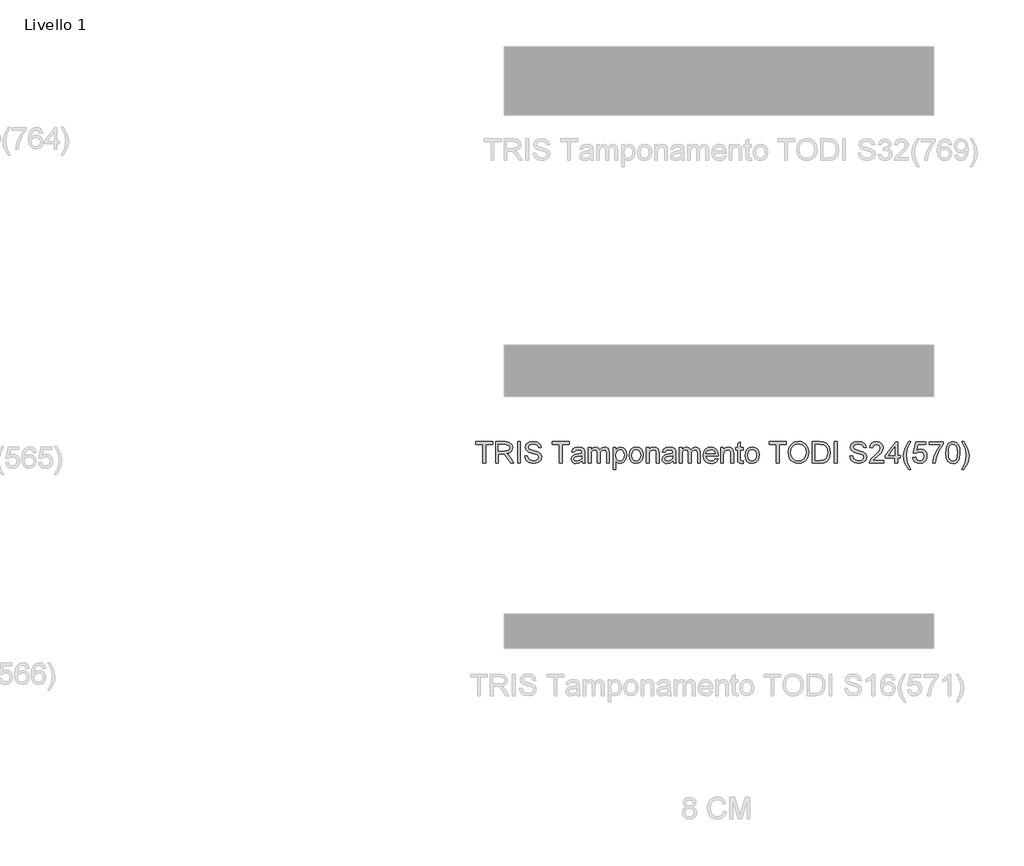
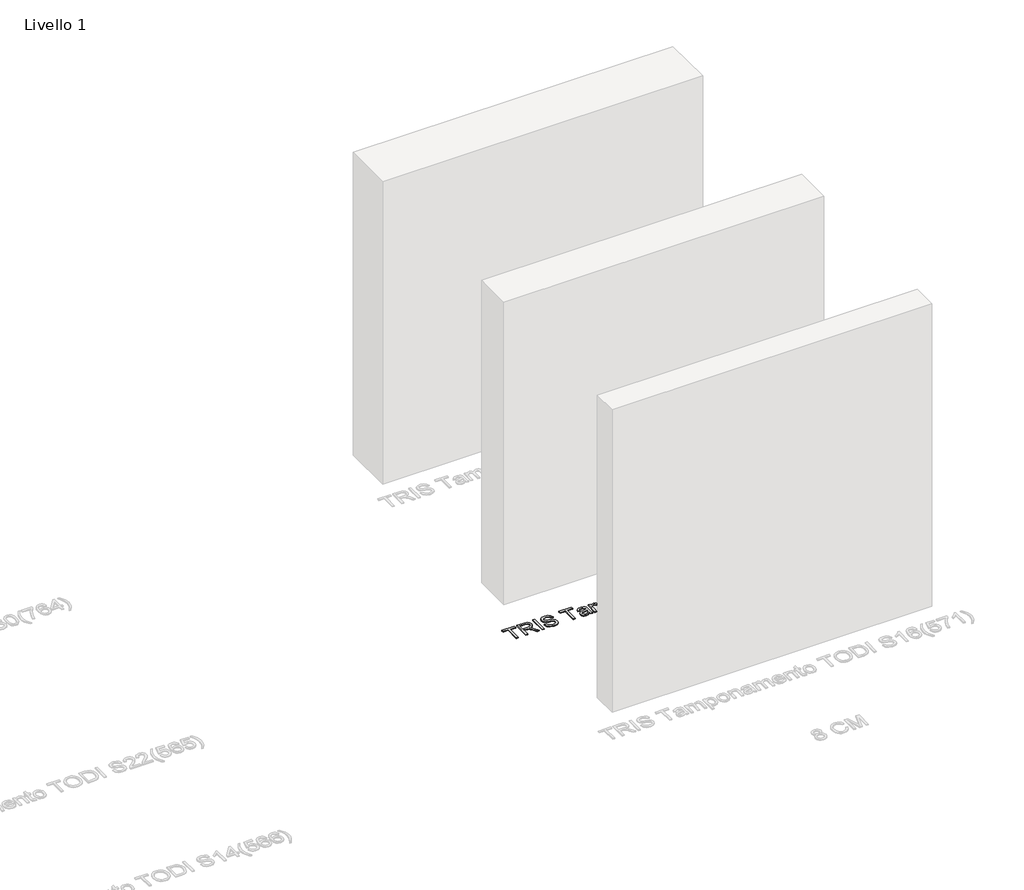
# One storey, part 6 of 18: 1 proxy.
"""IFC4 building model written with IfcOpenShell, lengths in millimetres."""

from ifc_helpers import new_model, si_unit, origin, origin_with_axes, place, context, project, spatial, polyline, outline, extrude, element, save

model = new_model("IFC4")

# Units and contexts
model_context = context("Model", 3, world=origin())
ifc_project = project(units=[si_unit("LENGTHUNIT", "METRE", prefix="MILLI")], contexts=[model_context])

# Site, building, storey
site = spatial("IfcSite", under=ifc_project)
building = spatial("IfcBuilding", under=site)
storey = spatial("IfcBuildingStorey", under=building, Name="Livello 1", Elevation=0.0)

# Proxy
placement = place(None, origin())
element("IfcBuildingElementProxy", 1, Name="100", ObjectType="100", at=placement, inside=storey, context=model_context, shape_type="SweptSolid", body=[
    extrude(outline(polyline([(-1320.016729, -3179.0576858), (-1320.016729, -3091.1584144), (-1352.9789557, -3091.1584144), (-1352.9789557, -3078.6013756), (-1274.4974634, -3078.6013756), (-1274.4974634, -3091.1584144), (-1307.4596902, -3091.1584144), (-1307.4596902, -3179.0576858), (-1320.016729, -3179.0576858)])), origin_with_axes(), (0.0, 0.0, 1.0), 5.0),
    extrude(outline(polyline([(-1260.3707948, -3179.0576858), (-1260.3707948, -3078.6013756), (-1217.0833467, -3078.6013756), (-1196.9847271, -3081.3114396), (-1185.9973181, -3090.900897), (-1181.8893025, -3106.0944234), (-1183.5907567, -3115.9904491), (-1188.6951194, -3124.1942175), (-1197.3556747, -3130.2090882), (-1209.7257068, -3133.5384202), (-1202.5887961, -3138.9094974), (-1192.4107276, -3151.8344181), (-1175.6598341, -3179.0576858), (-1190.2524865, -3179.0576858), (-1203.3245601, -3158.2355648), (-1212.7668646, -3144.4522527), (-1219.4010033, -3137.9407414), (-1225.3729543, -3135.5495085), (-1232.6570178, -3135.1080501), (-1247.8137561, -3135.1080501), (-1247.8137561, -3179.0576858), (-1260.3707948, -3179.0576858)]), holes=[polyline([(-1247.8137561, -3122.5510113), (-1219.7075716, -3122.5510113), (-1205.3724365, -3120.772915), (-1197.2299817, -3115.0830068), (-1194.4463413, -3106.5604072), (-1199.7561047, -3095.4994219), (-1216.5437865, -3091.1584144), (-1247.8137561, -3091.1584144), (-1247.8137561, -3122.5510113)])]), origin_with_axes(), (0.0, 0.0, 1.0), 5.0),
    extrude(outline(polyline([(-1158.3448548, -3179.0576858), (-1158.3448548, -3078.6013756), (-1145.7878161, -3078.6013756), (-1145.7878161, -3179.0576858), (-1158.3448548, -3179.0576858)])), origin_with_axes(), (0.0, 0.0, 1.0), 5.0),
    extrude(outline(polyline([(-1125.3826281, -3144.5258291), (-1112.8255893, -3144.5258291), (-1108.7788873, -3157.0951307), (-1098.8951244, -3165.0413817), (-1083.8364881, -3168.0702768), (-1070.7153636, -3165.7771457), (-1062.241815, -3159.4741009), (-1059.4581745, -3151.0496032), (-1061.5428392, -3143.2137167), (-1070.0777014, -3137.5115458), (-1088.3614366, -3132.7168171), (-1108.0431233, -3126.5241369), (-1118.7239639, -3117.1799342), (-1122.2433684, -3104.6964718), (-1117.8900981, -3090.4839641), (-1105.1736438, -3080.4530483), (-1086.5588148, -3077.0317458), (-1066.6931871, -3080.6124639), (-1053.4494353, -3091.1338889), (-1048.4707656, -3106.8547128), (-1061.0278044, -3106.8547128), (-1063.3331982, -3099.3621829), (-1068.1401896, -3093.9543175), (-1086.0683055, -3089.5887845), (-1104.0454723, -3093.9052666), (-1109.6863296, -3104.3285898), (-1105.6886786, -3113.0351304), (-1085.1853887, -3120.0494137), (-1062.9653162, -3126.3524586), (-1050.8129476, -3136.5305271), (-1046.9011358, -3150.7307721), (-1051.4015588, -3165.7526203), (-1064.3510051, -3176.7155037), (-1083.3459787, -3180.6273156), (-1105.7745177, -3176.4089354), (-1119.9625, -3163.7047438), (-1125.3826281, -3144.5258291)])), origin_with_axes(), (0.0, 0.0, 1.0), 5.0),
    extrude(outline(polyline([(-963.7107539, -3179.0576858), (-963.7107539, -3091.1584144), (-996.6729807, -3091.1584144), (-996.6729807, -3078.6013756), (-918.1914884, -3078.6013756), (-918.1914884, -3091.1584144), (-951.1537151, -3091.1584144), (-951.1537151, -3179.0576858), (-963.7107539, -3179.0576858)])), origin_with_axes(), (0.0, 0.0, 1.0), 5.0),
    extrude(outline(polyline([(-858.5455542, -3169.6399067), (-870.7224483, -3178.1502435), (-884.1746666, -3180.6273156), (-894.6685005, -3179.1373935), (-902.4093508, -3174.6676273), (-907.1826197, -3167.8802045), (-908.7737093, -3159.4373127), (-906.3702136, -3149.5044988), (-900.054906, -3142.2940117), (-891.2625263, -3138.1737334), (-880.3977447, -3136.2852725), (-858.6191306, -3131.9687904), (-858.5455542, -3129.1728872), (-862.003645, -3119.9022609), (-875.8850589, -3116.2724919), (-888.5892505, -3118.6882504), (-894.6470407, -3127.2599008), (-907.2040794, -3125.690271), (-901.7716887, -3113.4275378), (-890.8333307, -3106.2415762), (-874.2663781, -3103.7154532), (-859.0483263, -3105.9472706), (-850.4521503, -3111.5513396), (-846.6016521, -3120.0739392), (-845.9885155, -3131.0613481), (-845.9885155, -3146.6840702), (-845.3508533, -3168.4994725), (-842.8492558, -3179.0576858), (-855.4062945, -3179.0576858), (-858.5455542, -3169.6399067)]), holes=[polyline([(-858.5455542, -3144.5258291), (-878.8035894, -3148.3763274), (-889.6070573, -3150.4119411), (-894.4998879, -3153.722879), (-896.2166705, -3158.5543959), (-892.4765369, -3165.3479501), (-881.5013907, -3168.0702768), (-868.7971992, -3165.0659072), (-860.6056934, -3157.7941064), (-858.6191306, -3148.0820218), (-858.5455542, -3144.5258291)])]), origin_with_axes(), (0.0, 0.0, 1.0), 5.0),
    extrude(outline(polyline([(-828.7225871, -3179.0576858), (-828.7225871, -3105.285083), (-816.1655484, -3105.285083), (-816.1655484, -3117.4251888), (-807.5325842, -3107.4801122), (-795.2453256, -3103.7154532), (-782.6637613, -3107.5536886), (-775.7475798, -3118.3081056), (-765.949656, -3107.3636163), (-753.5765583, -3103.7154532), (-744.1373194, -3105.2329664), (-737.1567585, -3109.7855061), (-732.8433422, -3117.4956996), (-731.4055367, -3128.4861742), (-731.4055367, -3179.0576858), (-743.9625755, -3179.0576858), (-743.9625755, -3133.8817768), (-745.1275351, -3123.3971399), (-749.3459153, -3118.2345292), (-756.5196142, -3116.2724919), (-768.8681865, -3121.3002125), (-772.5562035, -3127.8423807), (-773.7855425, -3137.4134439), (-773.7855425, -3179.0576858), (-786.3425813, -3179.0576858), (-786.3425813, -3132.4838252), (-789.2488491, -3120.3191939), (-798.7769927, -3116.2724919), (-808.0721445, -3118.9702932), (-814.252562, -3126.8674934), (-816.1655484, -3141.8525533), (-816.1655484, -3179.0576858), (-828.7225871, -3179.0576858)])), origin_with_axes(), (0.0, 0.0, 1.0), 5.0),
    extrude(outline(polyline([(-712.5699785, -3207.311023), (-712.5699785, -3105.285083), (-700.0129398, -3105.285083), (-700.0129398, -3117.5968671), (-691.3309247, -3107.1858066), (-679.6077518, -3103.7154532), (-663.6907241, -3108.5714955), (-653.2919264, -3122.2567057), (-649.7847847, -3141.6072987), (-653.7456475, -3161.951173), (-665.2480912, -3175.8080615), (-681.1283307, -3180.6273156), (-692.0544259, -3177.4022168), (-700.0129398, -3169.2474992), (-700.0129398, -3207.311023), (-712.5699785, -3207.311023)]), holes=[polyline([(-700.0129398, -3142.7599956), (-698.6548421, -3154.0171846), (-694.580549, -3161.8898593), (-688.568744, -3166.5251725), (-681.3981108, -3168.0702768), (-674.1109816, -3166.4699902), (-667.9458925, -3161.6691301), (-663.7428407, -3153.5082812), (-662.3418235, -3141.8280279), (-663.7091182, -3130.6321525), (-667.8110025, -3122.6491132), (-673.8136103, -3117.8666472), (-680.883076, -3116.2724919), (-687.9801328, -3117.9678148), (-694.212667, -3123.0537834), (-698.5628716, -3131.3709821), (-700.0129398, -3142.7599956)])]), origin_with_axes(), (0.0, 0.0, 1.0), 5.0),
    extrude(outline(polyline([(-638.7973758, -3142.1713844), (-636.0811804, -3124.3842899), (-627.9325942, -3111.8824334), (-617.8648902, -3105.7571982), (-605.8106235, -3103.7154532), (-592.6189883, -3106.2017223), (-582.0822348, -3113.6605298), (-575.1752504, -3125.5032643), (-572.8729222, -3141.1413148), (-576.9441496, -3163.4840146), (-588.8022126, -3176.1268925), (-605.8106235, -3180.6273156), (-619.1616743, -3178.1502435), (-629.686165, -3170.7190272), (-636.5195731, -3158.6279723), (-638.7973758, -3142.1713844)]), holes=[polyline([(-626.240337, -3142.1468589), (-624.7872031, -3153.5113469), (-620.4278015, -3161.6078165), (-613.8672392, -3166.4546617), (-605.8106235, -3168.0702768), (-597.790796, -3166.4454647), (-591.2424965, -3161.5710283), (-586.8830949, -3153.3672598), (-585.429961, -3141.7544515), (-586.8922919, -3130.7210573), (-591.2792847, -3122.7349523), (-597.8367813, -3117.888107), (-605.8106235, -3116.2724919), (-613.8672392, -3117.8819756), (-620.4278015, -3122.7104268), (-624.7872031, -3130.7885023), (-626.240337, -3142.1468589)])]), origin_with_axes(), (0.0, 0.0, 1.0), 5.0),
    extrude(outline(polyline([(-558.7462536, -3179.0576858), (-558.7462536, -3105.285083), (-546.1892148, -3105.285083), (-546.1892148, -3115.5857789), (-536.5874948, -3106.6830346), (-523.478633, -3103.7154532), (-511.62057, -3106.1066861), (-503.5271661, -3112.3852055), (-499.7625071, -3121.6190436), (-499.1003195, -3133.7591494), (-499.1003195, -3179.0576858), (-511.6573582, -3179.0576858), (-511.6573582, -3135.4514066), (-513.1043607, -3124.3413703), (-518.2179205, -3118.4675212), (-526.8386219, -3116.2724919), (-540.4625185, -3121.2021107), (-544.7575408, -3128.3451527), (-546.1892148, -3139.9150415), (-546.1892148, -3179.0576858), (-558.7462536, -3179.0576858)])), origin_with_axes(), (0.0, 0.0, 1.0), 5.0),
    extrude(outline(polyline([(-434.7454958, -3169.6399067), (-446.9223898, -3178.1502435), (-460.3746081, -3180.6273156), (-470.868442, -3179.1373935), (-478.6092923, -3174.6676273), (-483.3825612, -3167.8802045), (-484.9736509, -3159.4373127), (-482.5701552, -3149.5044988), (-476.2548476, -3142.2940117), (-467.4624679, -3138.1737334), (-456.5976863, -3136.2852725), (-434.8190722, -3131.9687904), (-434.7454958, -3129.1728872), (-438.2035865, -3119.9022609), (-452.0850005, -3116.2724919), (-464.789192, -3118.6882504), (-470.8469822, -3127.2599008), (-483.404021, -3125.690271), (-477.9716302, -3113.4275378), (-467.0332722, -3106.2415762), (-450.4663197, -3103.7154532), (-435.2482678, -3105.9472706), (-426.6520919, -3111.5513396), (-422.8015937, -3120.0739392), (-422.188457, -3131.0613481), (-422.188457, -3146.6840702), (-421.5507949, -3168.4994725), (-419.0491973, -3179.0576858), (-431.6062361, -3179.0576858), (-434.7454958, -3169.6399067)]), holes=[polyline([(-434.7454958, -3144.5258291), (-455.003531, -3148.3763274), (-465.8069989, -3150.4119411), (-470.6998294, -3153.722879), (-472.4166121, -3158.5543959), (-468.6764785, -3165.3479501), (-457.7013323, -3168.0702768), (-444.9971407, -3165.0659072), (-436.805635, -3157.7941064), (-434.8190722, -3148.0820218), (-434.7454958, -3144.5258291)])]), origin_with_axes(), (0.0, 0.0, 1.0), 5.0),
    extrude(outline(polyline([(-404.9225287, -3179.0576858), (-404.9225287, -3105.285083), (-392.3654899, -3105.285083), (-392.3654899, -3117.4251888), (-383.7325258, -3107.4801122), (-371.4452671, -3103.7154532), (-358.8637029, -3107.5536886), (-351.9475214, -3118.3081056), (-342.1495976, -3107.3636163), (-329.7764998, -3103.7154532), (-320.337261, -3105.2329664), (-313.3567001, -3109.7855061), (-309.0432837, -3117.4956996), (-307.6054782, -3128.4861742), (-307.6054782, -3179.0576858), (-320.162517, -3179.0576858), (-320.162517, -3133.8817768), (-321.3274767, -3123.3971399), (-325.5458569, -3118.2345292), (-332.7195558, -3116.2724919), (-345.0681281, -3121.3002125), (-348.7561451, -3127.8423807), (-349.9854841, -3137.4134439), (-349.9854841, -3179.0576858), (-362.5425229, -3179.0576858), (-362.5425229, -3132.4838252), (-365.4487906, -3120.3191939), (-374.9769343, -3116.2724919), (-384.272086, -3118.9702932), (-390.4525036, -3126.8674934), (-392.3654899, -3141.8525533), (-392.3654899, -3179.0576858), (-404.9225287, -3179.0576858)])), origin_with_axes(), (0.0, 0.0, 1.0), 5.0),
    extrude(outline(polyline([(-237.119288, -3157.0828679), (-224.8075039, -3158.6524978), (-229.2435476, -3167.9292554), (-236.3222103, -3174.863831), (-245.8840765, -3179.1864445), (-257.7697306, -3180.6273156), (-272.5034045, -3178.1410465), (-283.8403014, -3170.682239), (-291.0691826, -3158.7352712), (-293.4788096, -3142.784521), (-291.0446571, -3126.2972763), (-283.7421995, -3113.9670981), (-272.5585868, -3106.2783644), (-258.4809692, -3103.7154532), (-244.8417442, -3106.272233), (-233.9432401, -3113.9425726), (-226.7971323, -3126.2482254), (-224.4150964, -3142.7109446), (-224.4886728, -3146.095459), (-280.9217709, -3146.095459), (-278.7482014, -3155.494844), (-273.699021, -3162.4048941), (-266.4118918, -3166.6539312), (-257.524476, -3168.0702768), (-245.2126919, -3165.4460519), (-237.119288, -3157.0828679)]), holes=[polyline([(-280.9217709, -3133.5384202), (-236.9721352, -3133.5384202), (-241.9998558, -3122.1586038), (-249.3207075, -3117.7440199), (-258.5300201, -3116.2724919), (-273.9933266, -3120.9691187), (-278.858566, -3126.4597575), (-280.9217709, -3133.5384202)])]), origin_with_axes(), (0.0, 0.0, 1.0), 5.0),
    extrude(outline(polyline([(-211.8580576, -3179.0576858), (-211.8580576, -3105.285083), (-199.3010189, -3105.285083), (-199.3010189, -3115.5857789), (-189.6992988, -3106.6830346), (-176.590437, -3103.7154532), (-164.7323741, -3106.1066861), (-156.6389702, -3112.3852055), (-152.8743111, -3121.6190436), (-152.2121235, -3133.7591494), (-152.2121235, -3179.0576858), (-164.7691623, -3179.0576858), (-164.7691623, -3135.4514066), (-166.2161648, -3124.3413703), (-171.3297245, -3118.4675212), (-179.9504259, -3116.2724919), (-193.5743225, -3121.2021107), (-197.8693448, -3128.3451527), (-199.3010189, -3139.9150415), (-199.3010189, -3179.0576858), (-211.8580576, -3179.0576858)])), origin_with_axes(), (0.0, 0.0, 1.0), 5.0),
    extrude(outline(polyline([(-108.2624878, -3168.5853116), (-106.6928579, -3179.4255678), (-116.0861116, -3180.6273156), (-126.6075366, -3178.542651), (-131.8559864, -3173.073472), (-133.3765653, -3158.824176), (-133.3765653, -3117.8421218), (-142.7943444, -3117.8421218), (-142.7943444, -3105.285083), (-133.3765653, -3105.285083), (-133.3765653, -3087.3569671), (-120.8195266, -3079.9748017), (-120.8195266, -3105.285083), (-108.2624878, -3105.285083), (-108.2624878, -3117.8421218), (-120.8195266, -3117.8421218), (-120.8195266, -3158.456294), (-120.157339, -3164.9310171), (-118.0113607, -3167.2241483), (-113.7316668, -3168.0702768), (-108.2624878, -3168.5853116)])), origin_with_axes(), (0.0, 0.0, 1.0), 5.0),
    extrude(outline(polyline([(-98.8447087, -3142.1713844), (-96.1285133, -3124.3842899), (-87.9799271, -3111.8824334), (-77.9122232, -3105.7571982), (-65.8579565, -3103.7154532), (-52.6663213, -3106.2017223), (-42.1295678, -3113.6605298), (-35.2225833, -3125.5032643), (-32.9202552, -3141.1413148), (-36.9914826, -3163.4840146), (-48.8495456, -3176.1268925), (-65.8579565, -3180.6273156), (-79.2090072, -3178.1502435), (-89.733498, -3170.7190272), (-96.566906, -3158.6279723), (-98.8447087, -3142.1713844)]), holes=[polyline([(-86.2876699, -3142.1468589), (-84.8345361, -3153.5113469), (-80.4751344, -3161.6078165), (-73.9145722, -3166.4546617), (-65.8579565, -3168.0702768), (-57.838129, -3166.4454647), (-51.2898295, -3161.5710283), (-46.9304278, -3153.3672598), (-45.4772939, -3141.7544515), (-46.9396249, -3130.7210573), (-51.3266177, -3122.7349523), (-57.8841142, -3117.888107), (-65.8579565, -3116.2724919), (-73.9145722, -3117.8819756), (-80.4751344, -3122.7104268), (-84.8345361, -3130.7885023), (-86.2876699, -3142.1468589)])]), origin_with_axes(), (0.0, 0.0, 1.0), 5.0),
    extrude(outline(polyline([(47.130867, -3179.0576858), (47.130867, -3091.1584144), (14.1686402, -3091.1584144), (14.1686402, -3078.6013756), (92.6501325, -3078.6013756), (92.6501325, -3091.1584144), (59.6879057, -3091.1584144), (59.6879057, -3179.0576858), (47.130867, -3179.0576858)])), origin_with_axes(), (0.0, 0.0, 1.0), 5.0),
    extrude(outline(polyline([(102.0679116, -3130.1539059), (105.4156377, -3107.9399647), (115.4588162, -3091.1338889), (130.793364, -3080.5572816), (150.0151983, -3077.0317458), (163.1915051, -3078.6872147), (175.0066485, -3083.6536217), (184.816835, -3091.5814787), (191.9782712, -3102.1212978), (196.3560669, -3114.7641757), (197.8153322, -3129.001209), (196.2794249, -3143.4283145), (191.6717029, -3156.2490021), (184.2466179, -3166.8072153), (174.2586218, -3174.4468981), (162.5446459, -3179.0822112), (149.9416219, -3180.6273156), (136.56298, -3178.91973), (124.6803916, -3173.7969732), (114.8947305, -3165.7219634), (107.8068707, -3155.1576188), (102.0679116, -3130.1539059)]), holes=[polyline([(114.6249504, -3130.2765332), (117.135745, -3145.9912258), (124.6681288, -3157.9657847), (135.9896972, -3165.5441538), (149.8680455, -3168.0702768), (163.9487289, -3165.5196283), (175.2886914, -3157.8676828), (182.7658929, -3145.5252419), (185.2582934, -3128.9031071), (180.9908623, -3108.179088), (168.5196626, -3094.4570896), (150.0887747, -3089.5887845), (136.5813741, -3091.9340323), (125.0973245, -3098.9697754), (117.2430439, -3111.4869603), (114.6249504, -3130.2765332)])]), origin_with_axes(), (0.0, 0.0, 1.0), 5.0),
    extrude(outline(polyline([(215.0812605, -3179.0576858), (215.0812605, -3078.6013756), (249.7357444, -3078.6013756), (267.6638603, -3080.0483781), (282.4281911, -3087.2343398), (294.3230423, -3104.4021662), (298.2716423, -3128.2899704), (295.5983665, -3148.5602684), (288.7312359, -3163.189709), (279.5587115, -3172.3009198), (267.5534957, -3177.3409031), (251.4034762, -3179.0576858), (215.0812605, -3179.0576858)]), holes=[polyline([(227.6382993, -3166.500647), (249.8583718, -3166.500647), (266.0206541, -3164.6857625), (275.3403313, -3159.55994), (282.9800141, -3147.0887404), (285.7146036, -3128.0937667), (284.3749, -3114.4085565), (280.3557892, -3104.3040643), (267.3205038, -3093.1695026), (249.5150153, -3091.1584144), (227.6382993, -3091.1584144), (227.6382993, -3166.500647)])]), origin_with_axes(), (0.0, 0.0, 1.0), 5.0),
    extrude(outline(polyline([(317.1072005, -3179.0576858), (317.1072005, -3078.6013756), (329.6642393, -3078.6013756), (329.6642393, -3179.0576858), (317.1072005, -3179.0576858)])), origin_with_axes(), (0.0, 0.0, 1.0), 5.0),
    extrude(outline(polyline([(389.3101734, -3144.5258291), (401.8672122, -3144.5258291), (405.9139141, -3157.0951307), (415.7976771, -3165.0413817), (430.8563134, -3168.0702768), (443.9774379, -3165.7771457), (452.4509865, -3159.4741009), (455.234627, -3151.0496032), (453.1499623, -3143.2137167), (444.6151, -3137.5115458), (426.3313649, -3132.7168171), (406.6496781, -3126.5241369), (395.9688375, -3117.1799342), (392.4494331, -3104.6964718), (396.8027034, -3090.4839641), (409.5191577, -3080.4530483), (428.1339866, -3077.0317458), (447.9996144, -3080.6124639), (461.2433662, -3091.1338889), (466.2220359, -3106.8547128), (453.6649971, -3106.8547128), (451.3596033, -3099.3621829), (446.5526119, -3093.9543175), (428.624496, -3089.5887845), (410.6473291, -3093.9052666), (405.0064719, -3104.3285898), (409.0041229, -3113.0351304), (429.5074128, -3120.0494137), (451.7274853, -3126.3524586), (463.8798538, -3136.5305271), (467.7916657, -3150.7307721), (463.2912426, -3165.7526203), (450.3417964, -3176.7155037), (431.3468227, -3180.6273156), (408.9182838, -3176.4089354), (394.7303015, -3163.7047438), (389.3101734, -3144.5258291)])), origin_with_axes(), (0.0, 0.0, 1.0), 5.0),
    extrude(outline(polyline([(546.273158, -3166.500647), (546.273158, -3179.0576858), (480.3487045, -3179.0576858), (481.6976051, -3170.4001961), (489.3250252, -3157.0706052), (505.0458491, -3142.5147409), (526.7263614, -3121.5945181), (532.1464894, -3107.3697476), (527.0329297, -3095.8550412), (513.6788133, -3091.1584144), (499.7606111, -3095.7446766), (494.4753731, -3108.4243427), (481.9183343, -3106.8547128), (484.9625578, -3094.7084756), (491.5445799, -3085.8363882), (501.3210439, -3080.4101288), (513.9485934, -3078.6013756), (526.6681134, -3080.6124639), (536.4261833, -3086.6457286), (542.634192, -3095.6588375), (544.7035282, -3106.6094582), (542.4717107, -3118.5165721), (535.0527572, -3130.8283562), (517.0633276, -3148.0329708), (502.6178279, -3160.111763), (496.9524452, -3166.500647), (546.273158, -3166.500647)])), origin_with_axes(), (0.0, 0.0, 1.0), 5.0),
    extrude(outline(polyline([(599.6405728, -3179.0576858), (599.6405728, -3155.5132381), (554.1213073, -3155.5132381), (554.1213073, -3142.9561993), (602.7798325, -3080.1710055), (612.1976116, -3080.1710055), (612.1976116, -3142.9561993), (624.7546503, -3142.9561993), (624.7546503, -3155.5132381), (612.1976116, -3155.5132381), (612.1976116, -3179.0576858), (599.6405728, -3179.0576858)]), holes=[polyline([(599.6405728, -3142.9561993), (599.6405728, -3104.1569115), (569.5723511, -3142.9561993), (599.6405728, -3142.9561993)])]), origin_with_axes(), (0.0, 0.0, 1.0), 5.0),
    extrude(outline(polyline([(663.9953965, -3207.311023), (646.1653825, -3177.8559379), (640.7023348, -3160.6758487), (638.8813189, -3142.8826229), (644.3259725, -3112.3484173), (663.9953965, -3078.6013756), (673.4131756, -3078.6013756), (661.6654772, -3098.4915288), (654.6021429, -3117.7685454), (651.4383577, -3142.9561993), (656.9320622, -3175.1458739), (673.4131756, -3207.311023), (663.9953965, -3207.311023)])), origin_with_axes(), (0.0, 0.0, 1.0), 5.0),
    extrude(outline(polyline([(682.8309546, -3152.3739784), (695.3879934, -3150.8043485), (701.7155637, -3163.741532), (714.8366882, -3168.0702768), (723.8375344, -3166.5650263), (730.5820376, -3162.0492749), (734.7942865, -3155.0441885), (736.1983694, -3146.0709335), (730.9376569, -3131.15945), (724.3311094, -3127.0575657), (715.0328919, -3125.690271), (704.0086948, -3127.8730375), (696.9576233, -3133.5384202), (684.4005845, -3131.9687904), (695.3879934, -3080.1710055), (744.0465186, -3080.1710055), (744.0465186, -3092.7280442), (705.5415365, -3092.7280442), (700.1704593, -3120.3927703), (709.1406487, -3114.9481167), (718.5400336, -3113.1332322), (730.2724036, -3115.3834438), (740.0120794, -3122.1340784), (746.569576, -3132.4225115), (748.7554082, -3145.2861186), (746.7872395, -3157.8431574), (740.8827335, -3168.5853116), (729.5764935, -3177.6168146), (714.7876373, -3180.6273156), (702.4543934, -3178.6928695), (692.6288784, -3172.889531), (685.8935722, -3163.8917505), (682.8309546, -3152.3739784)])), origin_with_axes(), (0.0, 0.0, 1.0), 5.0),
    extrude(outline(polyline([(759.7428171, -3092.7280442), (759.7428171, -3080.1710055), (825.6672706, -3080.1710055), (825.6672706, -3090.3245485), (806.9666025, -3117.3393497), (792.6559929, -3151.7608417), (787.9961543, -3179.0576858), (775.4391156, -3179.0576858), (780.430048, -3150.7307721), (794.1275209, -3118.7127758), (813.1102319, -3092.7280442), (759.7428171, -3092.7280442)])), origin_with_axes(), (0.0, 0.0, 1.0), 5.0),
    extrude(outline(polyline([(836.6546796, -3129.6388711), (840.3457622, -3100.735609), (851.3086457, -3084.0705546), (869.6169063, -3078.6013756), (884.2831352, -3081.8387372), (894.4121528, -3091.1706771), (900.2982647, -3106.0331097), (902.5791331, -3129.6388711), (898.9248386, -3158.4195058), (887.9987433, -3175.1213484), (879.7673837, -3179.2508238), (869.6169063, -3180.6273156), (856.5693582, -3178.2360826), (846.6610698, -3171.0623837), (839.1562771, -3154.0723669), (836.6546796, -3129.6388711)]), holes=[polyline([(849.2117183, -3129.6143456), (850.6832463, -3149.3665431), (855.0978302, -3160.7984761), (861.6706552, -3166.2523266), (869.6169063, -3168.0702768), (877.5631574, -3166.2461953), (884.1359824, -3160.7739506), (888.5505663, -3149.3358862), (890.0220943, -3129.6143456), (888.5996173, -3110.3066722), (884.3321861, -3098.7858344), (877.7716239, -3093.0652694), (869.4697535, -3091.1584144), (861.6093416, -3092.8384088), (855.294034, -3097.8783922), (850.7322972, -3110.1165999), (849.2117183, -3129.6143456)])]), origin_with_axes(), (0.0, 0.0, 1.0), 5.0),
    extrude(outline(polyline([(919.8450614, -3207.311023), (910.4272823, -3207.311023), (926.9083957, -3175.1458739), (932.4021002, -3142.9561993), (929.238315, -3117.9892746), (922.2485571, -3098.6877325), (910.4272823, -3078.6013756), (919.8450614, -3078.6013756), (939.5144854, -3112.3484173), (944.9591389, -3142.8826229), (943.128926, -3160.6758487), (937.6382872, -3177.8559379), (919.8450614, -3207.311023)])), origin_with_axes(), (0.0, 0.0, 1.0), 5.0),
])

save(model, "model.ifc")
